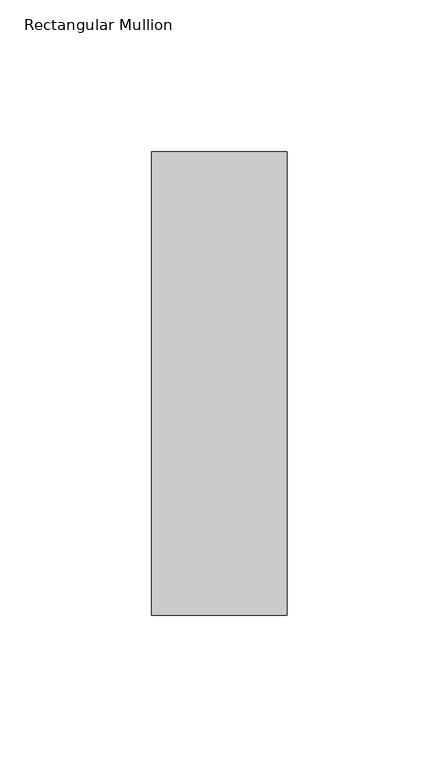
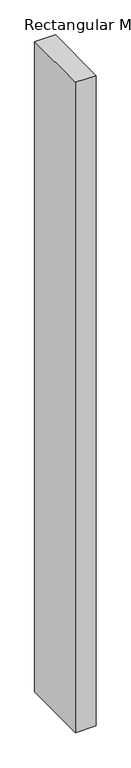
"""IFC4 building model written with IfcOpenShell, lengths in millimetres: member geometry, Rectangular Mullion."""

from ifc_helpers import new_model, si_unit, frame, origin, place, context, project, spatial, polyline, outline, extrude, source, transform, mapped, element, save


def rectangular_mullion_1975f658(model_context):
    return source(origin(), model_context, "Body", "SweptSolid", [
        extrude(outline(polyline([(0.0, 76.1906616), (0.0, -76.1906616), (-44.45, -76.1906616), (-44.45, 76.1906616), (0.0, 76.1906616)])), frame((0.0, 0.0, -1479.55), z_axis=(0.0, 0.0, 1.0), x_axis=(1.0, 0.0, 0.0)), (0.0, 0.0, 1.0), 1479.55),
    ])


if __name__ == "__main__":
    model = new_model("IFC4")
    model_context = context("Model", 3, world=origin())
    ifc_project = project(units=[si_unit("LENGTHUNIT", "METRE", prefix="MILLI")], contexts=[model_context])
    site = spatial("IfcSite", under=ifc_project)
    building = spatial("IfcBuilding", under=site)
    placement = place(None, origin())
    rectangular_mullion_shape = rectangular_mullion_1975f658(model_context)
    element("IfcMember", 1, ObjectType="Rectangular Mullion", at=placement, inside=building, context=model_context, shape_type="MappedRepresentation", body=[
        mapped(rectangular_mullion_shape, transform((0.0, 0.0, 0.0), x_axis=(1.0, 0.0, 0.0), y_axis=(0.0, 1.0, 0.0), z_axis=(0.0, 0.0, 1.0))),
    ])
    save(model, "model.ifc")
